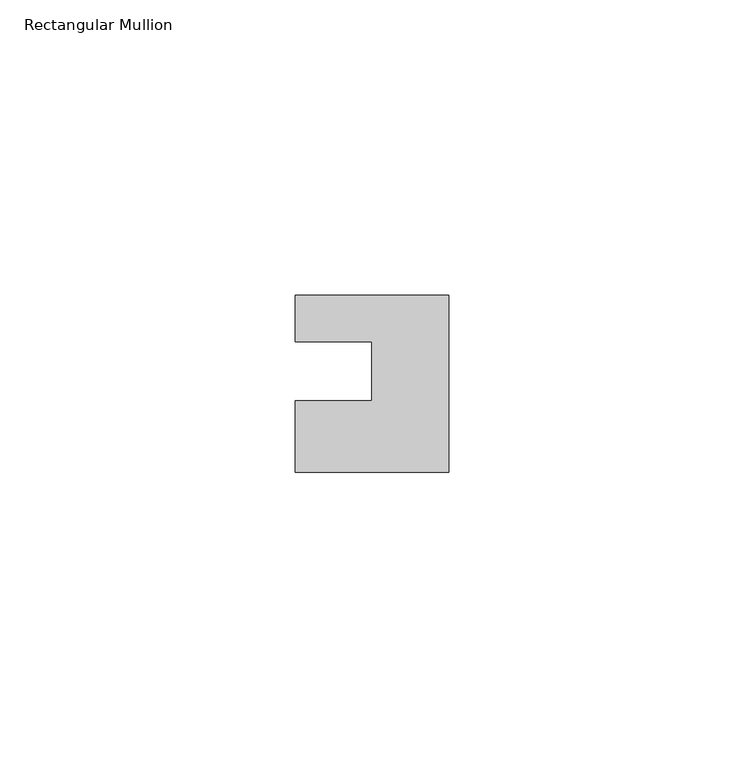
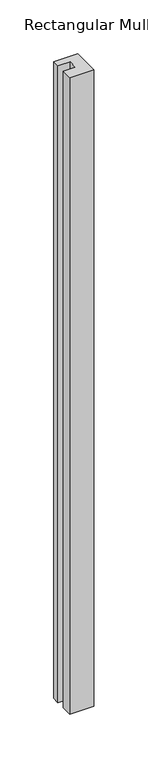
"""IFC4 building model written with IfcOpenShell, lengths in millimetres: member geometry, Rectangular Mullion."""

from ifc_helpers import new_model, si_unit, frame, origin, place, context, project, spatial, polyline, outline, extrude, source, transform, mapped, element, save


def rectangular_mullion_bf4fd3da(model_context):
    return source(origin(), model_context, "Body", "SweptSolid", [
        extrude(outline(polyline([(-26.0, 0.001), (-26.0, 7.94), (0.0, 7.94), (0.0, -22.06), (-26.0, -22.06), (-26.0, -10.0), (-13.0, -10.0), (-13.0, 0.001), (-26.0, 0.001)])), frame((0.0, 0.0, -724.1036395), z_axis=(0.0, 0.0, 1.0), x_axis=(1.0, 0.0, 0.0)), (0.0, 0.0, 1.0), 724.1036395),
    ])


if __name__ == "__main__":
    model = new_model("IFC4")
    model_context = context("Model", 3, world=origin())
    ifc_project = project(units=[si_unit("LENGTHUNIT", "METRE", prefix="MILLI")], contexts=[model_context])
    site = spatial("IfcSite", under=ifc_project)
    building = spatial("IfcBuilding", under=site)
    placement = place(None, origin())
    rectangular_mullion_shape = rectangular_mullion_bf4fd3da(model_context)
    element("IfcMember", 1, ObjectType="Rectangular Mullion", at=placement, inside=building, context=model_context, shape_type="MappedRepresentation", body=[
        mapped(rectangular_mullion_shape, transform((0.0, 0.0, 0.0), x_axis=(1.0, 0.0, 0.0), y_axis=(0.0, 1.0, 0.0), z_axis=(0.0, 0.0, 1.0))),
    ])
    save(model, "model.ifc")
